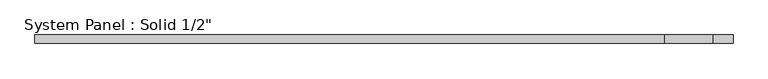
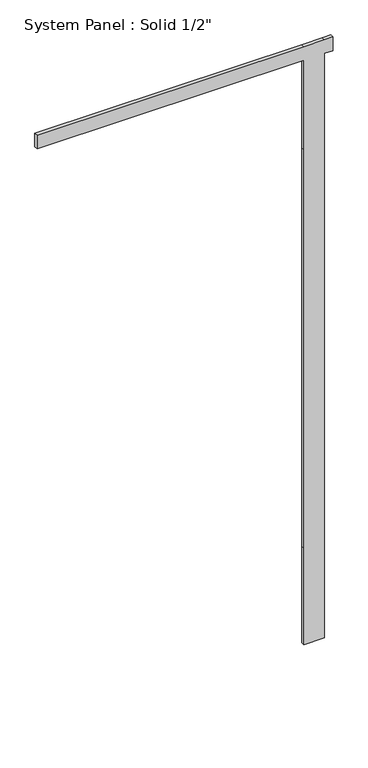
"""IFC4 building model written with IfcOpenShell, lengths in millimetres: plate geometry."""

import ifcopenshell
import ifcopenshell.guid

model = None  # the IFC model being written
_history = None  # IfcOwnerHistory: only IFC2X3 demands one
_inside = {}  # id of a spatial element -> (the spatial element, [elements in it])
_under = {}  # id of a project, library or spatial element -> (it, [spatial elements below it])
_declared = {}  # id of a project -> (the project, [libraries it declares])
_typed = {}  # id of a type object -> (the type object, [elements of that type])
_made_of = {}  # id of a material, layer set ... -> (it, [elements and type objects made of it])


def new_model(schema):
    """Start an empty IFC model of exactly this schema.

    Asked for "IFC4X3", IfcOpenShell would pick the latest addendum, in which some entities
    have other attributes; the version numbers below select the first issue.
    IFC2X3 requires an IfcOwnerHistory on every rooted entity: one is made here for all.
    """
    global model, _history
    if schema == "IFC4X3":
        model = ifcopenshell.file(schema_version=(4, 3, 0, 0))
    else:
        model = ifcopenshell.file(schema=schema)
    _inside.clear()
    _under.clear()
    _declared.clear()
    _typed.clear()
    _made_of.clear()
    _history = None
    if model.schema == "IFC2X3":
        org = make("IfcOrganization", Name="unknown")
        user = make(
            "IfcPersonAndOrganization",
            ThePerson=make("IfcPerson", FamilyName="unknown"),
            TheOrganization=org,
        )
        app = make(
            "IfcApplication",
            ApplicationDeveloper=org,
            Version="unknown",
            ApplicationFullName="unknown",
            ApplicationIdentifier="unknown",
        )
        _history = make(
            "IfcOwnerHistory",
            OwningUser=user,
            OwningApplication=app,
            ChangeAction="ADDED",
            CreationDate=0,
        )
    return model


def make(cls, **values):
    """One entity of the class cls with the attributes given. An attribute that is None is left unset."""
    return model.create_entity(
        cls, **{name: value for name, value in values.items() if value is not None}
    )


def rooted(cls, **values):
    """An entity with a GlobalId (a new one), such as an element, a storey or a relation."""
    return make(cls, GlobalId=ifcopenshell.guid.new(), OwnerHistory=_history, **values)


def si_unit(unit_type, name, prefix=None):
    """IfcSIUnit, for example si_unit("LENGTHUNIT", "METRE", prefix="MILLI")."""
    return make("IfcSIUnit", UnitType=unit_type, Prefix=prefix, Name=name)


def assignment(units):
    """IfcUnitAssignment: the units of a project."""
    return None if units is None else make("IfcUnitAssignment", Units=units)


def point(xyz):
    """IfcCartesianPoint."""
    return None if xyz is None else make("IfcCartesianPoint", Coordinates=xyz)


def direction(xyz):
    """IfcDirection."""
    return None if xyz is None else make("IfcDirection", DirectionRatios=xyz)


def frame(location, z_axis=None, x_axis=None):
    """IfcAxis2Placement3D, a coordinate frame: its origin and axes. An axis left out is left unset."""
    return make(
        "IfcAxis2Placement3D",
        Location=point(location),
        Axis=direction(z_axis),
        RefDirection=direction(x_axis),
    )


def origin():
    """The frame at (0, 0, 0) with its axes left unset."""
    return frame((0.0, 0.0, 0.0))


def place(relative_to, where):
    """IfcLocalPlacement: puts the frame where relative to a parent placement (None: the world)."""
    return make(
        "IfcLocalPlacement", PlacementRelTo=relative_to, RelativePlacement=where
    )


def context(
    kind, dimensions, precision=None, world=None, true_north=None, identifier=None
):
    """IfcGeometricRepresentationContext, for example the 3D "Model" context."""
    return make(
        "IfcGeometricRepresentationContext",
        ContextIdentifier=identifier,
        ContextType=kind,
        CoordinateSpaceDimension=dimensions,
        Precision=precision,
        WorldCoordinateSystem=world,
        TrueNorth=true_north,
    )


def project(units=None, contexts=None):
    """IfcProject with its units and contexts."""
    return rooted(
        "IfcProject",
        Name="project",
        RepresentationContexts=contexts,
        UnitsInContext=assignment(units),
    )


def spatial(cls, under=None, at=None, **own):
    """A site, building, storey or space (cls), placed at a placement, below another one or the project."""
    s = rooted(cls, ObjectPlacement=at, **own)
    if under is not None:
        _under.setdefault(under.id(), (under, []))[1].append(s)
    return s


def polyline(points):
    """IfcPolyline through the points."""
    return make("IfcPolyline", Points=[point(p) for p in points])


def outline(outer, holes=None, kind="AREA"):
    """IfcArbitraryClosedProfileDef: a profile drawn as a closed curve; with holes, ...WithVoids."""
    if holes is None:
        return make("IfcArbitraryClosedProfileDef", ProfileType=kind, OuterCurve=outer)
    return make(
        "IfcArbitraryProfileDefWithVoids",
        ProfileType=kind,
        OuterCurve=outer,
        InnerCurves=holes,
    )


def extrude(swept, where, along, depth):
    """IfcExtrudedAreaSolid: the profile swept, set in the frame where, extruded along a direction by depth."""
    return make(
        "IfcExtrudedAreaSolid",
        SweptArea=swept,
        Position=where,
        ExtrudedDirection=direction(along),
        Depth=depth,
    )


def shape(context_of_items, identifier, shape_type, items):
    """IfcShapeRepresentation: the items that make up one representation, for example the "Body"."""
    return make(
        "IfcShapeRepresentation",
        ContextOfItems=context_of_items,
        RepresentationIdentifier=identifier,
        RepresentationType=shape_type,
        Items=items,
    )


def source(mapping_origin, context_of_items, identifier, shape_type, items):
    """IfcRepresentationMap: a shape defined once, which mapped items show again and again."""
    return make(
        "IfcRepresentationMap",
        MappingOrigin=mapping_origin,
        MappedRepresentation=shape(context_of_items, identifier, shape_type, items),
    )


def transform(
    local_origin,
    x_axis=None,
    y_axis=None,
    z_axis=None,
    scale=None,
    scale2=None,
    scale3=None,
    uniform=True,
):
    """IfcCartesianTransformationOperator3D, or its non-uniform kind. x_axis, y_axis, z_axis: its Axis1, 2, 3."""
    if uniform:
        return make(
            "IfcCartesianTransformationOperator3D",
            Axis1=direction(x_axis),
            Axis2=direction(y_axis),
            LocalOrigin=point(local_origin),
            Scale=scale,
            Axis3=direction(z_axis),
        )
    return make(
        "IfcCartesianTransformationOperator3DnonUniform",
        Axis1=direction(x_axis),
        Axis2=direction(y_axis),
        LocalOrigin=point(local_origin),
        Scale=scale,
        Axis3=direction(z_axis),
        Scale2=scale2,
        Scale3=scale3,
    )


def mapped(mapping_source, mapping_target):
    """IfcMappedItem: shows the shape of a source again, moved by a transform."""
    return make(
        "IfcMappedItem", MappingSource=mapping_source, MappingTarget=mapping_target
    )


def made_of(thing, what):
    """Note that an element or type object is made of a material, layer set ...; save() writes the relation."""
    if what is not None:
        _made_of.setdefault(what.id(), (what, []))[1].append(thing)
    return thing


def element(
    cls,
    number,
    at=None,
    inside=None,
    cuts=None,
    type_object=None,
    material=None,
    context=None,
    identifier="Body",
    shape_type=None,
    held_by="IfcProductDefinitionShape",
    body=None,
    shapes=None,
    **own,
):
    """One element of the class cls, such as IfcWall. Its Tag is "e" and its number.

    at: its placement. inside: the storey or other place that contains it. cuts: it is an
    opening in that element (IfcRelVoidsElement). A single representation is given by context,
    identifier, shape_type and body (its items); several are given by shapes. held_by: the class
    of the entity that holds the representations. save() writes the other relations.
    """
    e = rooted(cls, Tag="e%d" % number, ObjectPlacement=at, **own)
    if body is not None:
        shapes = [shape(context, identifier, shape_type, body)]
    if shapes is not None:
        e.Representation = make(held_by, Representations=shapes)
    if inside is not None:
        _inside.setdefault(inside.id(), (inside, []))[1].append(e)
    if cuts is not None:
        rooted(
            "IfcRelVoidsElement", RelatingBuildingElement=cuts, RelatedOpeningElement=e
        )
    if type_object is not None:
        _typed.setdefault(type_object.id(), (type_object, []))[1].append(e)
    return made_of(e, material)


def aggregate(whole, parts):
    """IfcRelAggregates: a whole, such as a stair, and the parts it consists of."""
    return rooted("IfcRelAggregates", RelatingObject=whole, RelatedObjects=parts)


def save(model, path):
    """Write the relations noted so far, then the file.

    IfcRelAggregates (storeys below a building ...), IfcRelContainedInSpatialStructure (elements
    in a storey), IfcRelDefinesByType, IfcRelAssociatesMaterial and IfcRelDeclares: one each for
    every whole, place, type object, material and project.
    """
    for whole, parts in _under.values():
        aggregate(whole, parts)
    for where, things in _inside.values():
        rooted(
            "IfcRelContainedInSpatialStructure",
            RelatedElements=things,
            RelatingStructure=where,
        )
    for kind, things in _typed.values():
        rooted("IfcRelDefinesByType", RelatedObjects=things, RelatingType=kind)
    for what, things in _made_of.values():
        rooted("IfcRelAssociatesMaterial", RelatedObjects=things, RelatingMaterial=what)
    for by, libraries in _declared.values():
        rooted("IfcRelDeclares", RelatingContext=by, RelatedDefinitions=libraries)
    model.write(path)


def plate_14612e5b(model_context):
    return source(origin(), model_context, "Body", "SweptSolid", [
        extrude(outline(polyline([(0.0, 416.1855898), (0.0, 488.6968812), (355.6, 488.6968812), (1828.8, 488.6968812), (2159.0, 488.6968812), (2159.0, 517.7855898), (2209.8, 517.7855898), (2209.8, 488.6968812), (2209.8, 416.1855898), (2209.8, -517.7855898), (2159.0, -517.7855898), (2159.0, 416.1855898), (1828.8, 416.1855898), (355.6, 416.1855898), (0.0, 416.1855898)])), frame((0.0, -6.35, 0.0), z_axis=(0.0, 1.0, 0.0), x_axis=(0.0, 0.0, 1.0)), (0.0, 0.0, 1.0), 12.7),
    ])


if __name__ == "__main__":
    model = new_model("IFC4")
    model_context = context("Model", 3, world=origin())
    ifc_project = project(units=[si_unit("LENGTHUNIT", "METRE", prefix="MILLI")], contexts=[model_context])
    site = spatial("IfcSite", under=ifc_project)
    building = spatial("IfcBuilding", under=site)
    placement = place(None, origin())
    plate_shape = plate_14612e5b(model_context)
    element("IfcPlate", 1, ObjectType="System Panel : Solid 1/2\"", at=placement, inside=building, context=model_context, shape_type="MappedRepresentation", body=[
        mapped(plate_shape, transform((0.0, 0.0, 0.0), x_axis=(1.0, 0.0, 0.0), y_axis=(0.0, 1.0, 0.0), z_axis=(0.0, 0.0, 1.0))),
    ])
    save(model, "model.ifc")
